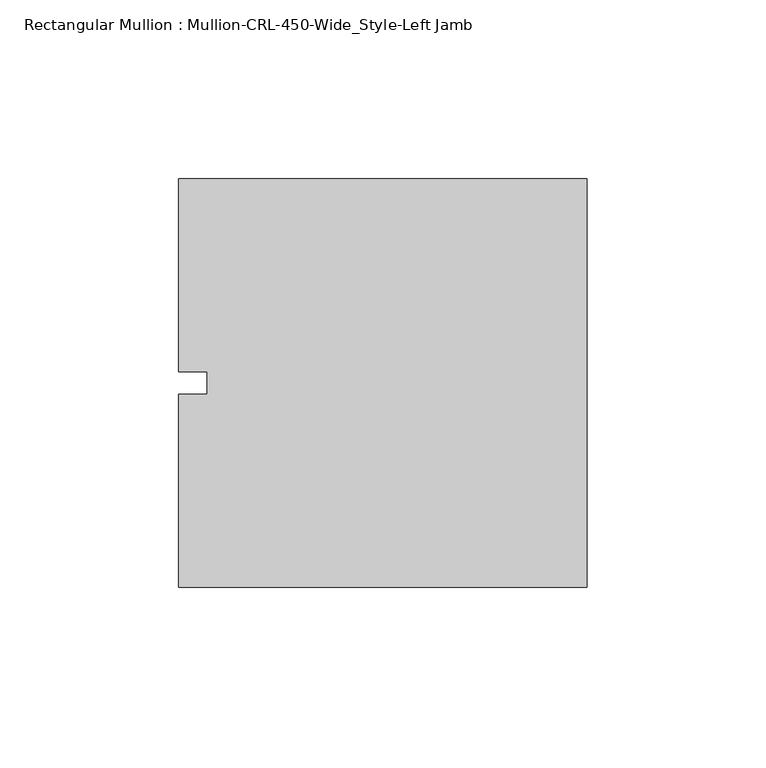
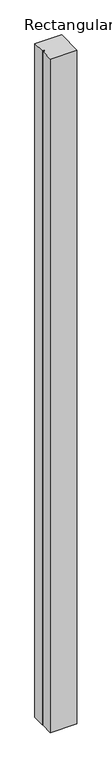
"""IFC4 building model written with IfcOpenShell, lengths in millimetres: member geometry, Rectangular Mullion : Mullion-CRL-450-Wide_Style-Left Jamb."""

from ifc_helpers import new_model, si_unit, frame, origin, place, context, project, spatial, polyline, outline, extrude, source, transform, mapped, element, save


def rectangular_mullion_mullion_crl_450_wide_style_left_jamb_a340612f(model_context):
    return source(origin(), model_context, "Body", "SweptSolid", [
        extrude(outline(polyline([(0.0, 57.15), (0.0, -57.15), (-114.3, -57.15), (-114.3, -3.175), (-106.3625, -3.175), (-106.3625, 3.175), (-114.3, 3.175), (-114.3, 57.15), (0.0, 57.15)])), frame((0.0, 0.0, -3057.525), z_axis=(0.0, 0.0, 1.0), x_axis=(1.0, 0.0, 0.0)), (0.0, 0.0, 1.0), 3057.525),
    ])


if __name__ == "__main__":
    model = new_model("IFC4")
    model_context = context("Model", 3, world=origin())
    ifc_project = project(units=[si_unit("LENGTHUNIT", "METRE", prefix="MILLI")], contexts=[model_context])
    site = spatial("IfcSite", under=ifc_project)
    building = spatial("IfcBuilding", under=site)
    placement = place(None, origin())
    rectangular_mullion_mullion_crl_450_wide_style_left_jamb_shape = rectangular_mullion_mullion_crl_450_wide_style_left_jamb_a340612f(model_context)
    element("IfcMember", 1, ObjectType="Rectangular Mullion : Mullion-CRL-450-Wide_Style-Left Jamb", at=placement, inside=building, context=model_context, shape_type="MappedRepresentation", body=[
        mapped(rectangular_mullion_mullion_crl_450_wide_style_left_jamb_shape, transform((0.0, 0.0, 0.0), x_axis=(1.0, 0.0, 0.0), y_axis=(0.0, 1.0, 0.0), z_axis=(0.0, 0.0, 1.0))),
    ])
    save(model, "model.ifc")
